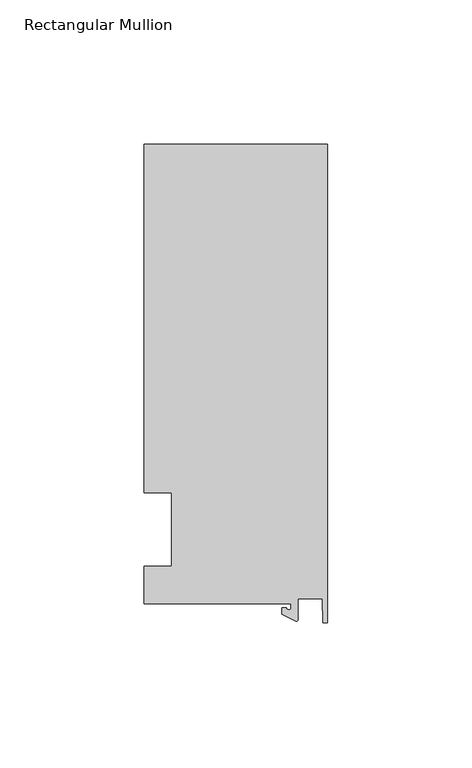
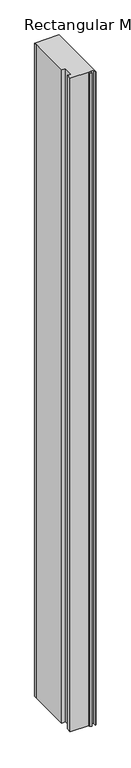
"""IFC4 building model written with IfcOpenShell, lengths in millimetres: member geometry, Rectangular Mullion."""

from ifc_helpers import new_model, si_unit, point, frame, frame_2d, origin, place, context, project, spatial, polyline, circle_curve, trimmed, segment, composite_curve, outline, extrude, source, transform, mapped, element, save


def rectangular_mullion_982edfed(model_context):
    return source(origin(), model_context, "Body", "SweptSolid", [
        extrude(outline(composite_curve([segment(polyline([(-12.6173814, -25.796875), (-63.5, -25.796875), (-63.5, -12.7), (-53.975, -12.7), (-53.975, 12.7), (-63.5, 12.7), (-63.5, 125.8114907), (-63.5, 133.34365), (0.0, 133.34365), (0.0, -32.288874), (-1.5658966, -32.288874), (-1.7144124, -23.9227662), (-10.2297814, -23.9227662), (-10.2297814, -31.2414327)]), True, "CONTINUOUS"), segment(trimmed(circle_curve(frame_2d((-10.7377814, -31.2414327)), 0.508), [point((-10.2297814, -31.2414327))], [point((-10.9524715, -31.7018371))], False, "CARTESIAN"), True, "CONTINUOUS"), segment(polyline([(-10.9524715, -31.7018371), (-15.7923814, -29.44495), (-15.7923814, -27.0827507), (-14.2048814, -27.0827507)]), True, "CONTINUOUS"), segment(trimmed(circle_curve(frame_2d((-13.4111314, -27.0827507)), 0.79375), [point((-14.2048814, -27.0827507))], [point((-12.6173814, -27.0827507))], True, "CARTESIAN"), True, "CONTINUOUS"), segment(polyline([(-12.6173814, -27.0827507), (-12.6173814, -25.796875)]), True, "CONTINUOUS")], self_intersect=False)), frame((0.0, 0.0, -1786.4666667), z_axis=(0.0, 0.0, 1.0), x_axis=(1.0, 0.0, 0.0)), (0.0, 0.0, 1.0), 1786.4666667),
    ])


if __name__ == "__main__":
    model = new_model("IFC4")
    model_context = context("Model", 3, world=origin())
    ifc_project = project(units=[si_unit("LENGTHUNIT", "METRE", prefix="MILLI")], contexts=[model_context])
    site = spatial("IfcSite", under=ifc_project)
    building = spatial("IfcBuilding", under=site)
    placement = place(None, origin())
    rectangular_mullion_shape = rectangular_mullion_982edfed(model_context)
    element("IfcMember", 1, ObjectType="Rectangular Mullion", at=placement, inside=building, context=model_context, shape_type="MappedRepresentation", body=[
        mapped(rectangular_mullion_shape, transform((0.0, 0.0, 0.0), x_axis=(1.0, 0.0, 0.0), y_axis=(0.0, 1.0, 0.0), z_axis=(0.0, 0.0, 1.0))),
    ])
    save(model, "model.ifc")
